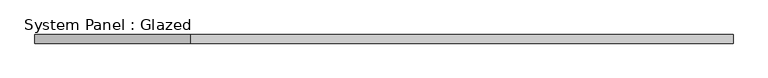
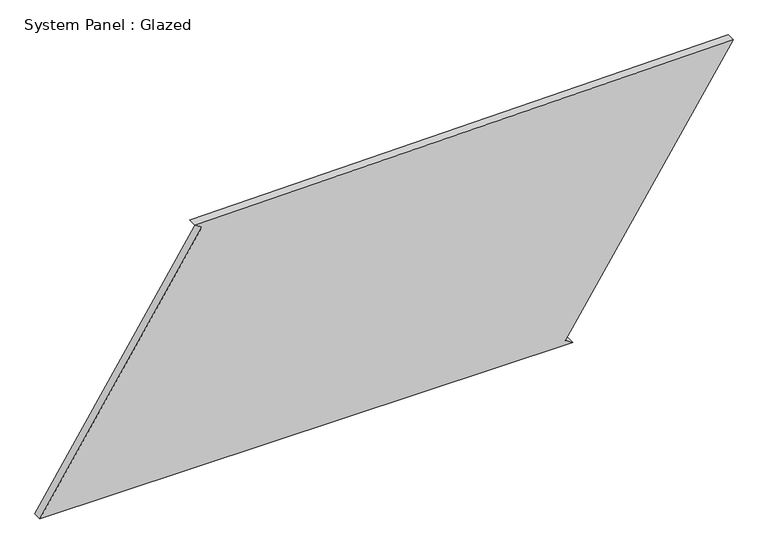
"""IFC4 building model written with IfcOpenShell, lengths in millimetres: plate geometry, System Panel : Glazed."""

from ifc_helpers import new_model, si_unit, frame, origin, place, context, project, spatial, polyline, outline, extrude, source, transform, mapped, element, save


def system_panel_glazed_55c6ff91(model_context):
    return source(origin(), model_context, "Body", "SweptSolid", [
        extrude(outline(polyline([(0.0, -1011.879194), (0.0, 543.2523796), (13.5755249, 522.2594016), (770.7158604, 1011.879194), (749.3052274, -560.0309652), (735.7888721, -538.9998422), (0.0, -1011.879194)])), frame((0.0, -49.5, 0.0), z_axis=(0.0, 1.0, 0.0), x_axis=(0.0, 0.0, 1.0)), (0.0, 0.0, 1.0), 25.0),
    ])


if __name__ == "__main__":
    model = new_model("IFC4")
    model_context = context("Model", 3, world=origin())
    ifc_project = project(units=[si_unit("LENGTHUNIT", "METRE", prefix="MILLI")], contexts=[model_context])
    site = spatial("IfcSite", under=ifc_project)
    building = spatial("IfcBuilding", under=site)
    placement = place(None, origin())
    system_panel_glazed_shape = system_panel_glazed_55c6ff91(model_context)
    element("IfcPlate", 1, ObjectType="System Panel : Glazed", at=placement, inside=building, context=model_context, shape_type="MappedRepresentation", body=[
        mapped(system_panel_glazed_shape, transform((0.0, 0.0, 0.0), x_axis=(1.0, 0.0, 0.0), y_axis=(0.0, 1.0, 0.0), z_axis=(0.0, 0.0, 1.0))),
    ])
    save(model, "model.ifc")
